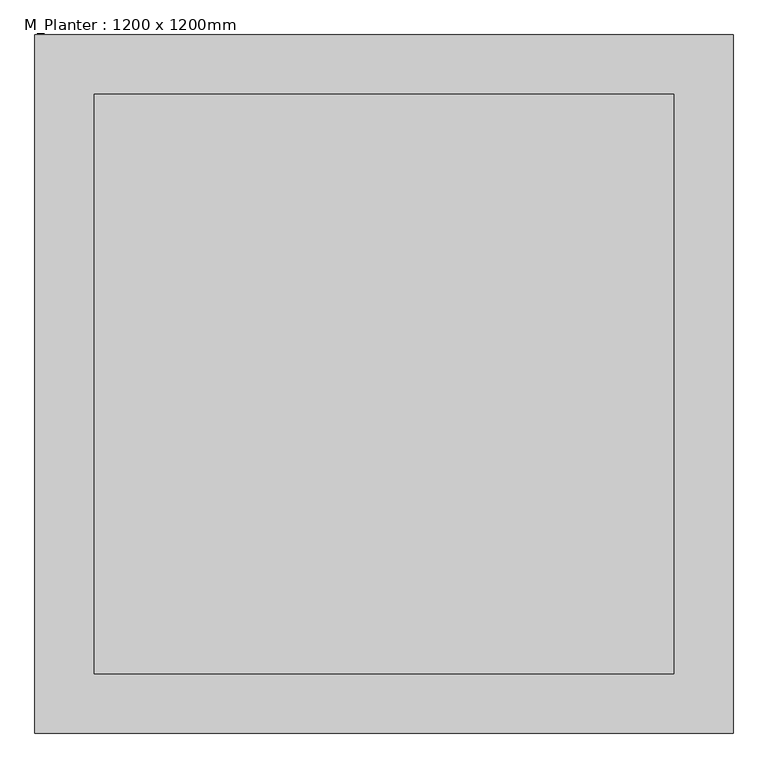
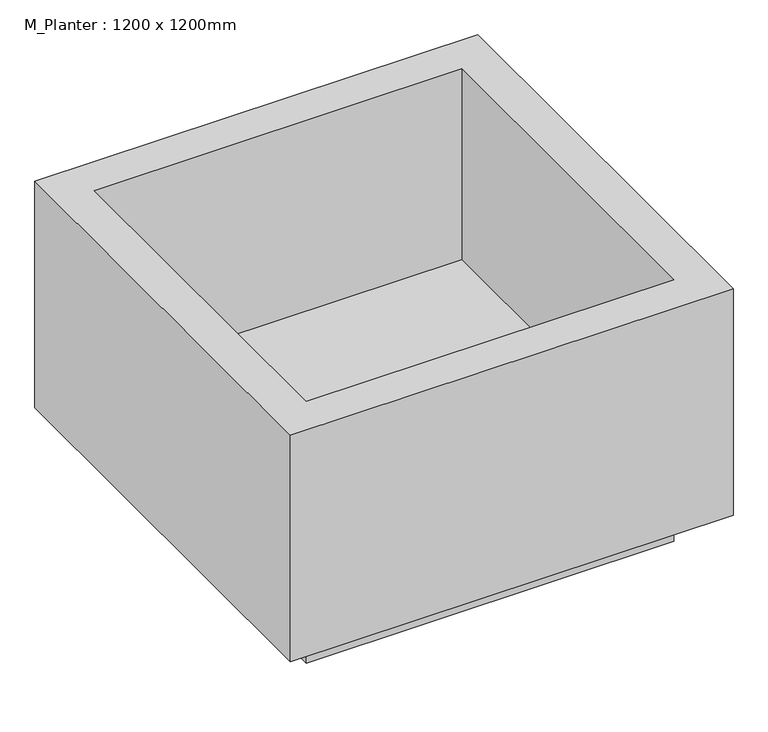
"""IFC4 building model written with IfcOpenShell, lengths in millimetres: geographic element geometry, M_Planter : 1200 x 1200mm."""

from ifc_helpers import new_model, si_unit, origin, origin_with_axes, place, context, project, spatial, polyline, outline, extrude, faceted_brep, source, transform, mapped, element, save


def m_planter_1200_x_1200mm_95940968(model_context):
    return source(origin(), model_context, "Body", "SolidModel", [
        extrude(outline(polyline([(498.4, -498.4), (-498.4, -498.4), (-498.4, 498.4), (498.4, 498.4), (498.4, -498.4)])), origin_with_axes(), (0.0, 0.0, 1.0), 101.6),
        faceted_brep([(600.0, -600.0, 750.0), (600.0, 600.0, 750.0), (-600.0, 600.0, 750.0), (-600.0, -600.0, 750.0), (-498.4, -498.4, 750.0), (-498.4, 498.4, 750.0), (498.4, 498.4, 750.0), (498.4, -498.4, 750.0), (600.0, -600.0, 101.6), (-600.0, -600.0, 101.6), (-600.0, 600.0, 101.6), (600.0, 600.0, 101.6), (498.4, -498.4, 203.2), (498.4, 498.4, 203.2), (-498.4, 498.4, 203.2), (-498.4, -498.4, 203.2)], [[[0, 1, 2, 3], [4, 5, 6, 7]], [[8, 9, 10, 11]], [[3, 9, 8, 0]], [[2, 10, 9, 3]], [[1, 11, 10, 2]], [[0, 8, 11, 1]], [[12, 13, 14, 15]], [[15, 4, 7, 12]], [[14, 5, 4, 15]], [[13, 6, 5, 14]], [[12, 7, 6, 13]]]),
    ])


if __name__ == "__main__":
    model = new_model("IFC4")
    model_context = context("Model", 3, world=origin())
    ifc_project = project(units=[si_unit("LENGTHUNIT", "METRE", prefix="MILLI")], contexts=[model_context])
    site = spatial("IfcSite", under=ifc_project)
    building = spatial("IfcBuilding", under=site)
    placement = place(None, origin())
    m_planter_1200_x_1200mm_shape = m_planter_1200_x_1200mm_95940968(model_context)
    element("IfcGeographicElement", 1, ObjectType="M_Planter : 1200 x 1200mm", at=placement, inside=building, context=model_context, shape_type="MappedRepresentation", body=[
        mapped(m_planter_1200_x_1200mm_shape, transform((0.0, 0.0, 0.0), x_axis=(1.0, 0.0, 0.0), y_axis=(0.0, 1.0, 0.0), z_axis=(0.0, 0.0, 1.0))),
    ])
    save(model, "model.ifc")
